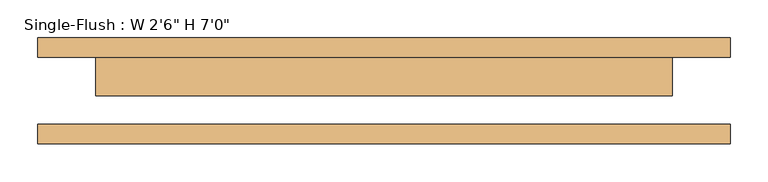
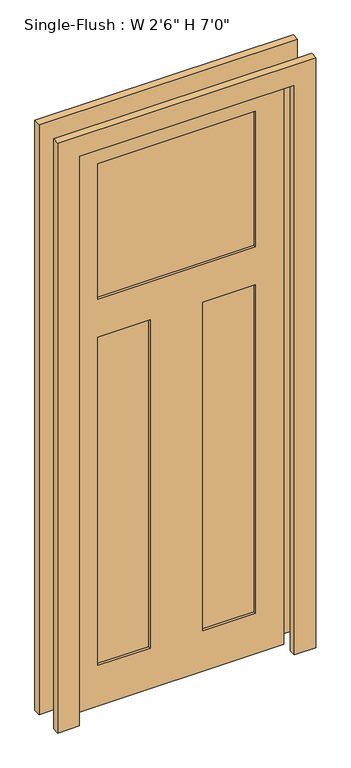
"""IFC4 building model written with IfcOpenShell, lengths in millimetres: door geometry."""

import ifcopenshell
import ifcopenshell.guid

model = None  # the IFC model being written
_history = None  # IfcOwnerHistory: only IFC2X3 demands one
_inside = {}  # id of a spatial element -> (the spatial element, [elements in it])
_under = {}  # id of a project, library or spatial element -> (it, [spatial elements below it])
_declared = {}  # id of a project -> (the project, [libraries it declares])
_typed = {}  # id of a type object -> (the type object, [elements of that type])
_made_of = {}  # id of a material, layer set ... -> (it, [elements and type objects made of it])


def new_model(schema):
    """Start an empty IFC model of exactly this schema.

    Asked for "IFC4X3", IfcOpenShell would pick the latest addendum, in which some entities
    have other attributes; the version numbers below select the first issue.
    IFC2X3 requires an IfcOwnerHistory on every rooted entity: one is made here for all.
    """
    global model, _history
    if schema == "IFC4X3":
        model = ifcopenshell.file(schema_version=(4, 3, 0, 0))
    else:
        model = ifcopenshell.file(schema=schema)
    _inside.clear()
    _under.clear()
    _declared.clear()
    _typed.clear()
    _made_of.clear()
    _history = None
    if model.schema == "IFC2X3":
        org = make("IfcOrganization", Name="unknown")
        user = make(
            "IfcPersonAndOrganization",
            ThePerson=make("IfcPerson", FamilyName="unknown"),
            TheOrganization=org,
        )
        app = make(
            "IfcApplication",
            ApplicationDeveloper=org,
            Version="unknown",
            ApplicationFullName="unknown",
            ApplicationIdentifier="unknown",
        )
        _history = make(
            "IfcOwnerHistory",
            OwningUser=user,
            OwningApplication=app,
            ChangeAction="ADDED",
            CreationDate=0,
        )
    return model


def make(cls, **values):
    """One entity of the class cls with the attributes given. An attribute that is None is left unset."""
    return model.create_entity(
        cls, **{name: value for name, value in values.items() if value is not None}
    )


def rooted(cls, **values):
    """An entity with a GlobalId (a new one), such as an element, a storey or a relation."""
    return make(cls, GlobalId=ifcopenshell.guid.new(), OwnerHistory=_history, **values)


def si_unit(unit_type, name, prefix=None):
    """IfcSIUnit, for example si_unit("LENGTHUNIT", "METRE", prefix="MILLI")."""
    return make("IfcSIUnit", UnitType=unit_type, Prefix=prefix, Name=name)


def assignment(units):
    """IfcUnitAssignment: the units of a project."""
    return None if units is None else make("IfcUnitAssignment", Units=units)


def point(xyz):
    """IfcCartesianPoint."""
    return None if xyz is None else make("IfcCartesianPoint", Coordinates=xyz)


def direction(xyz):
    """IfcDirection."""
    return None if xyz is None else make("IfcDirection", DirectionRatios=xyz)


def frame(location, z_axis=None, x_axis=None):
    """IfcAxis2Placement3D, a coordinate frame: its origin and axes. An axis left out is left unset."""
    return make(
        "IfcAxis2Placement3D",
        Location=point(location),
        Axis=direction(z_axis),
        RefDirection=direction(x_axis),
    )


def origin():
    """The frame at (0, 0, 0) with its axes left unset."""
    return frame((0.0, 0.0, 0.0))


def place(relative_to, where):
    """IfcLocalPlacement: puts the frame where relative to a parent placement (None: the world)."""
    return make(
        "IfcLocalPlacement", PlacementRelTo=relative_to, RelativePlacement=where
    )


def context(
    kind, dimensions, precision=None, world=None, true_north=None, identifier=None
):
    """IfcGeometricRepresentationContext, for example the 3D "Model" context."""
    return make(
        "IfcGeometricRepresentationContext",
        ContextIdentifier=identifier,
        ContextType=kind,
        CoordinateSpaceDimension=dimensions,
        Precision=precision,
        WorldCoordinateSystem=world,
        TrueNorth=true_north,
    )


def project(units=None, contexts=None):
    """IfcProject with its units and contexts."""
    return rooted(
        "IfcProject",
        Name="project",
        RepresentationContexts=contexts,
        UnitsInContext=assignment(units),
    )


def spatial(cls, under=None, at=None, **own):
    """A site, building, storey or space (cls), placed at a placement, below another one or the project."""
    s = rooted(cls, ObjectPlacement=at, **own)
    if under is not None:
        _under.setdefault(under.id(), (under, []))[1].append(s)
    return s


def polyline(points):
    """IfcPolyline through the points."""
    return make("IfcPolyline", Points=[point(p) for p in points])


def outline(outer, holes=None, kind="AREA"):
    """IfcArbitraryClosedProfileDef: a profile drawn as a closed curve; with holes, ...WithVoids."""
    if holes is None:
        return make("IfcArbitraryClosedProfileDef", ProfileType=kind, OuterCurve=outer)
    return make(
        "IfcArbitraryProfileDefWithVoids",
        ProfileType=kind,
        OuterCurve=outer,
        InnerCurves=holes,
    )


def extrude(swept, where, along, depth):
    """IfcExtrudedAreaSolid: the profile swept, set in the frame where, extruded along a direction by depth."""
    return make(
        "IfcExtrudedAreaSolid",
        SweptArea=swept,
        Position=where,
        ExtrudedDirection=direction(along),
        Depth=depth,
    )


def faces_of(points, faces, orient=None, outer=None):
    """IfcFace entities. A face is a list of loops; a loop is a list of indices into points, from 0.

    orient and outer hold one flag for each loop. By default every Orientation is true, the
    first loop of a face is its IfcFaceOuterBound and the others are IfcFaceBound.
    """
    made = []
    for i, loops in enumerate(faces):
        bounds = []
        for j, loop in enumerate(loops):
            is_outer = j == 0 if outer is None else outer[i][j]
            bounds.append(
                make(
                    "IfcFaceOuterBound" if is_outer else "IfcFaceBound",
                    Bound=make("IfcPolyLoop", Polygon=[points[k] for k in loop]),
                    Orientation=True if orient is None else orient[i][j],
                )
            )
        made.append(make("IfcFace", Bounds=bounds))
    return made


def faceted_brep(points, faces, orient=None, outer=None, voids=None):
    """IfcFacetedBrep: a solid bounded by flat faces; with voids (closed shells), ...WithVoids."""
    shared = [point(p) for p in points]
    hull = make("IfcClosedShell", CfsFaces=faces_of(shared, faces, orient, outer))
    if voids is None:
        return make("IfcFacetedBrep", Outer=hull)
    return make(
        "IfcFacetedBrepWithVoids",
        Outer=hull,
        Voids=[
            make(cls, CfsFaces=faces_of(shared, fs, o, b)) for cls, fs, o, b in voids
        ],
    )


def shape(context_of_items, identifier, shape_type, items):
    """IfcShapeRepresentation: the items that make up one representation, for example the "Body"."""
    return make(
        "IfcShapeRepresentation",
        ContextOfItems=context_of_items,
        RepresentationIdentifier=identifier,
        RepresentationType=shape_type,
        Items=items,
    )


def source(mapping_origin, context_of_items, identifier, shape_type, items):
    """IfcRepresentationMap: a shape defined once, which mapped items show again and again."""
    return make(
        "IfcRepresentationMap",
        MappingOrigin=mapping_origin,
        MappedRepresentation=shape(context_of_items, identifier, shape_type, items),
    )


def transform(
    local_origin,
    x_axis=None,
    y_axis=None,
    z_axis=None,
    scale=None,
    scale2=None,
    scale3=None,
    uniform=True,
):
    """IfcCartesianTransformationOperator3D, or its non-uniform kind. x_axis, y_axis, z_axis: its Axis1, 2, 3."""
    if uniform:
        return make(
            "IfcCartesianTransformationOperator3D",
            Axis1=direction(x_axis),
            Axis2=direction(y_axis),
            LocalOrigin=point(local_origin),
            Scale=scale,
            Axis3=direction(z_axis),
        )
    return make(
        "IfcCartesianTransformationOperator3DnonUniform",
        Axis1=direction(x_axis),
        Axis2=direction(y_axis),
        LocalOrigin=point(local_origin),
        Scale=scale,
        Axis3=direction(z_axis),
        Scale2=scale2,
        Scale3=scale3,
    )


def mapped(mapping_source, mapping_target):
    """IfcMappedItem: shows the shape of a source again, moved by a transform."""
    return make(
        "IfcMappedItem", MappingSource=mapping_source, MappingTarget=mapping_target
    )


def made_of(thing, what):
    """Note that an element or type object is made of a material, layer set ...; save() writes the relation."""
    if what is not None:
        _made_of.setdefault(what.id(), (what, []))[1].append(thing)
    return thing


def element(
    cls,
    number,
    at=None,
    inside=None,
    cuts=None,
    type_object=None,
    material=None,
    context=None,
    identifier="Body",
    shape_type=None,
    held_by="IfcProductDefinitionShape",
    body=None,
    shapes=None,
    **own,
):
    """One element of the class cls, such as IfcWall. Its Tag is "e" and its number.

    at: its placement. inside: the storey or other place that contains it. cuts: it is an
    opening in that element (IfcRelVoidsElement). A single representation is given by context,
    identifier, shape_type and body (its items); several are given by shapes. held_by: the class
    of the entity that holds the representations. save() writes the other relations.
    """
    e = rooted(cls, Tag="e%d" % number, ObjectPlacement=at, **own)
    if body is not None:
        shapes = [shape(context, identifier, shape_type, body)]
    if shapes is not None:
        e.Representation = make(held_by, Representations=shapes)
    if inside is not None:
        _inside.setdefault(inside.id(), (inside, []))[1].append(e)
    if cuts is not None:
        rooted(
            "IfcRelVoidsElement", RelatingBuildingElement=cuts, RelatedOpeningElement=e
        )
    if type_object is not None:
        _typed.setdefault(type_object.id(), (type_object, []))[1].append(e)
    return made_of(e, material)


def aggregate(whole, parts):
    """IfcRelAggregates: a whole, such as a stair, and the parts it consists of."""
    return rooted("IfcRelAggregates", RelatingObject=whole, RelatedObjects=parts)


def save(model, path):
    """Write the relations noted so far, then the file.

    IfcRelAggregates (storeys below a building ...), IfcRelContainedInSpatialStructure (elements
    in a storey), IfcRelDefinesByType, IfcRelAssociatesMaterial and IfcRelDeclares: one each for
    every whole, place, type object, material and project.
    """
    for whole, parts in _under.values():
        aggregate(whole, parts)
    for where, things in _inside.values():
        rooted(
            "IfcRelContainedInSpatialStructure",
            RelatedElements=things,
            RelatingStructure=where,
        )
    for kind, things in _typed.values():
        rooted("IfcRelDefinesByType", RelatedObjects=things, RelatingType=kind)
    for what, things in _made_of.values():
        rooted("IfcRelAssociatesMaterial", RelatedObjects=things, RelatingMaterial=what)
    for by, libraries in _declared.values():
        rooted("IfcRelDeclares", RelatingContext=by, RelatedDefinitions=libraries)
    model.write(path)


def door_7e3d1729(model_context):
    return source(origin(), model_context, "Body", "SolidModel", [
        faceted_brep([(381.0, -6.35, 2133.6), (-381.0, -6.35, 2133.6), (-381.0, -6.35, 0.0), (381.0, -6.35, 0.0), (279.4, -6.35, 2032.0), (279.4, -6.35, 1524.0), (-279.4, -6.35, 1524.0), (-279.4, -6.35, 2032.0), (-93.1333333, -6.35, 1382.3847826), (-93.1333333, -6.35, 152.4), (-279.4, -6.35, 152.4), (-279.4, -6.35, 1382.3847826), (93.1333333, -6.35, 1382.3847826), (279.4, -6.35, 1382.3847826), (279.4, -6.35, 152.4), (93.1333333, -6.35, 152.4), (381.0, 44.45, 2133.6), (381.0, 44.45, 0.0), (-381.0, 44.45, 0.0), (-381.0, 44.45, 2133.6), (279.4, 44.45, 1524.0), (279.4, 44.45, 2032.0), (-279.4, 44.45, 2032.0), (-279.4, 44.45, 1524.0), (-93.1333333, 44.45, 152.4), (-93.1333333, 44.45, 1382.3847826), (-279.4, 44.45, 1382.3847826), (-279.4, 44.45, 152.4), (279.4, 44.45, 1382.3847826), (93.1333333, 44.45, 1382.3847826), (93.1333333, 44.45, 152.4), (279.4, 44.45, 152.4), (279.4, 34.925, 2032.0), (279.4, 34.925, 1524.0), (-279.4, 34.925, 1524.0), (-279.4, 34.925, 2032.0), (-93.1333333, 34.925, 1382.3847826), (-93.1333333, 34.925, 152.4), (-279.4, 34.925, 152.4), (-279.4, 34.925, 1382.3847826), (93.1333333, 34.925, 1382.3847826), (279.4, 34.925, 1382.3847826), (279.4, 34.925, 152.4), (93.1333333, 34.925, 152.4), (279.4, 3.175, 2032.0), (-279.4, 3.175, 2032.0), (-279.4, 3.175, 1524.0), (279.4, 3.175, 1524.0), (-93.1333333, 3.175, 1382.3847826), (-279.4, 3.175, 1382.3847826), (-279.4, 3.175, 152.4), (-93.1333333, 3.175, 152.4), (93.1333333, 3.175, 1382.3847826), (93.1333333, 3.175, 152.4), (279.4, 3.175, 152.4), (279.4, 3.175, 1382.3847826)], [[[0, 1, 2, 3], [4, 5, 6, 7], [8, 9, 10, 11], [12, 13, 14, 15]], [[16, 17, 18, 19], [20, 21, 22, 23], [24, 25, 26, 27], [28, 29, 30, 31]], [[1, 0, 16, 19]], [[2, 1, 19, 18]], [[3, 2, 18, 17]], [[0, 3, 17, 16]], [[32, 33, 34, 35]], [[36, 37, 38, 39]], [[40, 41, 42, 43]], [[33, 32, 21, 20]], [[34, 33, 20, 23]], [[35, 34, 23, 22]], [[32, 35, 22, 21]], [[37, 36, 25, 24]], [[38, 37, 24, 27]], [[39, 38, 27, 26]], [[36, 39, 26, 25]], [[41, 40, 29, 28]], [[42, 41, 28, 31]], [[43, 42, 31, 30]], [[40, 43, 30, 29]], [[44, 45, 46, 47]], [[48, 49, 50, 51]], [[52, 53, 54, 55]], [[44, 47, 5, 4]], [[47, 46, 6, 5]], [[46, 45, 7, 6]], [[45, 44, 4, 7]], [[48, 51, 9, 8]], [[51, 50, 10, 9]], [[50, 49, 11, 10]], [[49, 48, 8, 11]], [[52, 55, 13, 12]], [[55, 54, 14, 13]], [[54, 53, 15, 14]], [[53, 52, 12, 15]]]),
        extrude(outline(polyline([(2209.8, -457.2), (0.0, -457.2), (0.0, -381.0), (2133.6, -381.0), (2133.6, 381.0), (0.0, 381.0), (0.0, 457.2), (2209.8, 457.2), (2209.8, -457.2)])), frame((0.0, 44.45, 0.0), z_axis=(0.0, 1.0, 0.0), x_axis=(0.0, 0.0, 1.0)), (0.0, 0.0, 1.0), 25.4),
        extrude(outline(polyline([(2209.8, 457.2), (2209.8, -457.2), (0.0, -457.2), (0.0, -381.0), (2133.6, -381.0), (2133.6, 381.0), (0.0, 381.0), (0.0, 457.2), (2209.8, 457.2)])), frame((0.0, -69.85, 0.0), z_axis=(0.0, 1.0, 0.0), x_axis=(0.0, 0.0, 1.0)), (0.0, 0.0, 1.0), 25.4),
    ])


if __name__ == "__main__":
    model = new_model("IFC4")
    model_context = context("Model", 3, world=origin())
    ifc_project = project(units=[si_unit("LENGTHUNIT", "METRE", prefix="MILLI")], contexts=[model_context])
    site = spatial("IfcSite", under=ifc_project)
    building = spatial("IfcBuilding", under=site)
    placement = place(None, origin())
    door_shape = door_7e3d1729(model_context)
    element("IfcDoor", 1, ObjectType="Single-Flush : W 2'6\" H 7'0\"", at=placement, inside=building, context=model_context, shape_type="MappedRepresentation", body=[
        mapped(door_shape, transform((0.0, 0.0, 0.0), x_axis=(1.0, 0.0, 0.0), y_axis=(0.0, 1.0, 0.0), z_axis=(0.0, 0.0, 1.0))),
    ])
    save(model, "model.ifc")
